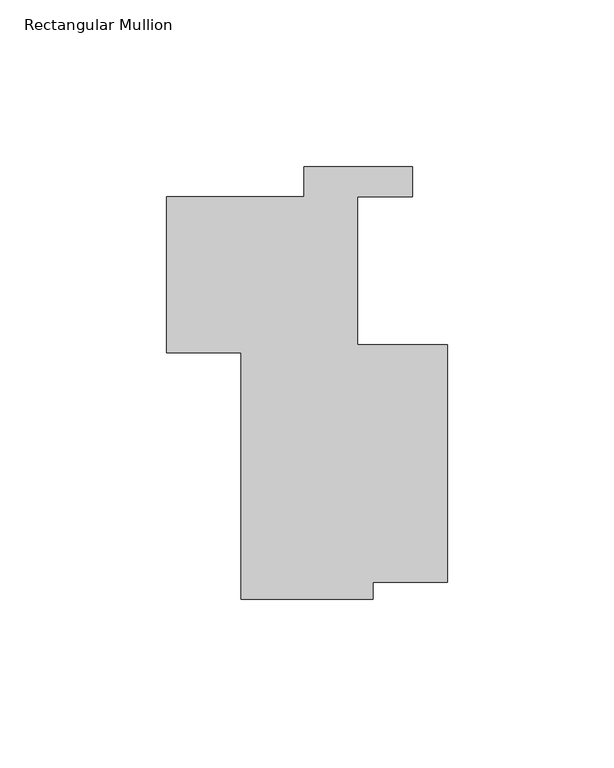
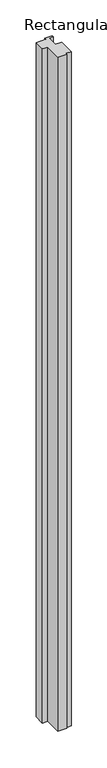
"""IFC4 building model written with IfcOpenShell, lengths in millimetres: member geometry, Rectangular Mullion."""

from ifc_helpers import new_model, si_unit, frame, origin, place, context, project, spatial, polyline, outline, extrude, source, transform, mapped, element, save


def rectangular_mullion_d1d8b0eb(model_context):
    return source(origin(), model_context, "Body", "SweptSolid", [
        extrude(outline(polyline([(-22.225, -71.1199998), (-22.225, -76.2039663), (-61.9125, -76.2039663), (-61.9125, -2.286), (-84.1375, -2.286), (-84.1375, 44.45), (-42.9038315, 44.45), (-42.9038315, 53.4162002), (-10.3918315, 53.4162002), (-10.3918315, 44.5013634), (-26.9874995, 44.5013634), (-26.9874995, 0.0513634), (0.0, 0.0513634), (0.0, -71.1199998), (-22.225, -71.1199998)])), frame((0.0, 0.0, -3048.0), z_axis=(0.0, 0.0, 1.0), x_axis=(1.0, 0.0, 0.0)), (0.0, 0.0, 1.0), 3048.0),
    ])


if __name__ == "__main__":
    model = new_model("IFC4")
    model_context = context("Model", 3, world=origin())
    ifc_project = project(units=[si_unit("LENGTHUNIT", "METRE", prefix="MILLI")], contexts=[model_context])
    site = spatial("IfcSite", under=ifc_project)
    building = spatial("IfcBuilding", under=site)
    placement = place(None, origin())
    rectangular_mullion_shape = rectangular_mullion_d1d8b0eb(model_context)
    element("IfcMember", 1, ObjectType="Rectangular Mullion", at=placement, inside=building, context=model_context, shape_type="MappedRepresentation", body=[
        mapped(rectangular_mullion_shape, transform((0.0, 0.0, 0.0), x_axis=(1.0, 0.0, 0.0), y_axis=(0.0, 1.0, 0.0), z_axis=(0.0, 0.0, 1.0))),
    ])
    save(model, "model.ifc")
